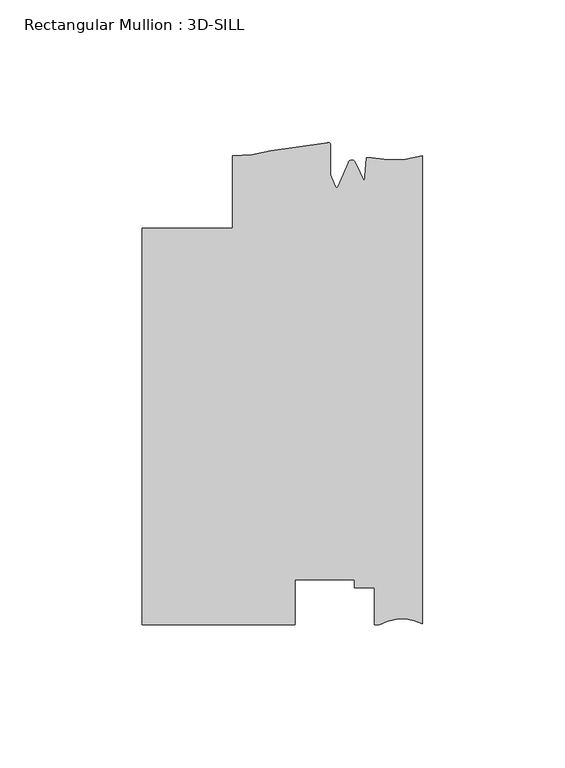
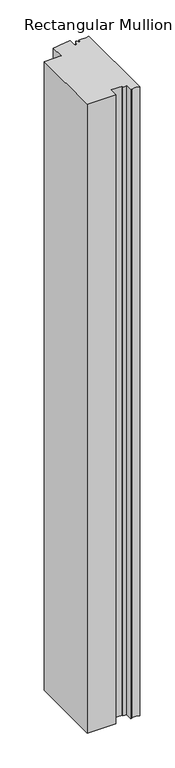
"""IFC4 building model written with IfcOpenShell, lengths in millimetres: member geometry, Rectangular Mullion : 3D-SILL."""

from ifc_helpers import new_model, si_unit, frame, origin, place, context, project, spatial, polyline, circle_curve, source, transform, mapped, element, save
from ifc_brep_helpers import plane_surface, cylinder_surface, revolved_surface, advanced_brep


def rectangular_mullion_3d_sill_26b0a8fc(model_context):
    return source(origin(), model_context, "Body", "AdvancedBrep", [
        advanced_brep(
        [(-98.425, -27.8368125, 0.0), (-98.425, -167.0288125, 0.0), (-44.8099503, -167.0288125, 0.0), (-44.8099503, -151.130408, 0.0), (-23.8633011, -151.130408, 0.0), (-23.8633011, -153.9850133, 0.0), (-17.0053014, -153.9850133, 0.0), (-17.0053014, -167.0288125, 0.0), (-15.1680895, -167.0288125, 0.0), (0.0, -166.6478125, 0.0), (0.0, -2.4368125, 0.0), (-18.0334985, -3.1935504, 0.0), (-19.8211861, -3.0828843, 0.0), (-20.3867288, -11.4822036, 0.0), (-23.5593147, -4.7881561, 0.0), (-26.1362138, -4.7881561, 0.0), (-29.8075652, -13.2047236, 0.0), (-30.5559634, -13.2047236, 0.0), (-32.384137, -9.0136383, 0.0), (-32.384137, 1.4766469, 0.0), (-33.3130099, 2.2201504, 0.0), (-53.2924277, -0.6208493, 0.0), (-66.6751132, -2.4368125, 0.0), (-66.6751132, -27.8361661, 0.0), (-98.425, -27.8368125, -1244.3455475), (-66.6751132, -27.8361661, -1244.3455475), (-66.6751132, -2.4368125, -1244.3455475), (-53.2924277, -0.6208493, -1244.3455475), (-33.3138356, 2.2199646, -1244.3455475), (-32.384137, 1.4766469, -1244.3455475), (-32.384137, -9.0136383, -1244.3455475), (-30.5559634, -13.2047236, -1244.3455475), (-29.8075652, -13.2047236, -1244.3455475), (-26.1362138, -4.7881561, -1244.3455475), (-23.5593147, -4.7881561, -1244.3455475), (-20.3867288, -11.4822036, -1244.3455475), (-19.8211861, -3.0828843, -1244.3455475), (-18.0334985, -3.1935504, -1244.3455475), (0.0, -2.4368125, -1244.3455475), (0.0, -166.6478125, -1244.3455475), (-15.1680895, -167.0288125, -1244.3455475), (-17.0053014, -167.0288125, -1244.3455475), (-17.0053014, -153.9850133, -1244.3455475), (-23.8633011, -153.9850133, -1244.3455475), (-23.8633011, -151.130408, -1244.3455475), (-44.8099503, -151.130408, -1244.3455475), (-44.8099503, -167.0288125, -1244.3455475), (-98.425, -167.0288125, -1244.3455475)],
        [
            (0, 1),
            (1, 2),
            (2, 3),
            (3, 4),
            (4, 5),
            (5, 6),
            (6, 7),
            (7, 8),
            (8, 9, circle_curve(frame((-7.2326507, -180.8277516, 0.0), z_axis=(0.0, 0.0, -1.0), x_axis=(0.0, -1.0, 0.0)), 15.9179744)),
            (9, 10),
            (10, 11, circle_curve(frame((-10.6264113, 35.54399, 0.0), z_axis=(0.0, 0.0, -1.0), x_axis=(0.0, -1.0, 0.0)), 39.4393455)),
            (11, 12),
            (12, 13),
            (13, 14),
            (14, 15, circle_curve(frame((-24.8477643, -5.3280697, 0.0), z_axis=(0.0, 0.0, 1.0), x_axis=(-0.9222974554240703, 0.38648079346622805, 0.0)), 1.397)),
            (15, 16),
            (16, 17, circle_curve(frame((-30.1817643, -13.2763897, 0.0), z_axis=(0.0, 0.0, -1.0), x_axis=(-0.9821498950386456, 0.1880999300254456, 0.0)), 0.381)),
            (17, 18),
            (18, 19),
            (19, 20, circle_curve(frame((-33.146137, 1.4766469, 0.0), z_axis=(0.0, 0.0, 1.0), x_axis=(1.0, 0.0, 0.0)), 0.762)),
            (20, 21, circle_curve(frame((-61.125498, 126.1389145, 0.0), z_axis=(0.0, 0.0, -1.0), x_axis=(0.2189867881896227, -0.9757278240361876, 0.0)), 127.0015539)),
            (21, 22, circle_curve(frame((-65.8289407, 41.546973, 0.0), z_axis=(0.0, 0.0, -1.0), x_axis=(0.0, -1.0, 0.0)), 43.9919242)),
            (22, 23),
            (23, 0),
            (24, 25),
            (25, 26),
            (26, 27, circle_curve(frame((-65.8289407, 41.546973, -1244.3455475), z_axis=(0.0, 0.0, 1.0), x_axis=(0.0, -1.0, 0.0)), 43.9919242)),
            (27, 28, circle_curve(frame((-61.125498, 126.1389145, -1244.3455475), z_axis=(0.0, 0.0, 1.0), x_axis=(0.2189867881896227, -0.9757278240361876, 0.0)), 127.0015539)),
            (28, 29, circle_curve(frame((-33.146137, 1.4766469, -1244.3455475), z_axis=(0.0, 0.0, -1.0), x_axis=(1.0, 0.0, 0.0)), 0.762)),
            (29, 30),
            (30, 31),
            (31, 32, circle_curve(frame((-30.1817643, -13.2763897, -1244.3455475), z_axis=(0.0, 0.0, 1.0), x_axis=(-0.9821498950386456, 0.1880999300254456, 0.0)), 0.381)),
            (32, 33),
            (33, 34, circle_curve(frame((-24.8477643, -5.3280697, -1244.3455475), z_axis=(0.0, 0.0, -1.0), x_axis=(-0.9222974554240703, 0.38648079346622805, 0.0)), 1.397)),
            (34, 35),
            (35, 36),
            (36, 37),
            (37, 38, circle_curve(frame((-10.6264113, 35.54399, -1244.3455475), z_axis=(0.0, 0.0, 1.0), x_axis=(0.0, -1.0, 0.0)), 39.4393455)),
            (38, 39),
            (39, 40, circle_curve(frame((-7.2326507, -180.8277516, -1244.3455475), z_axis=(0.0, 0.0, 1.0), x_axis=(0.0, -1.0, 0.0)), 15.9179744)),
            (40, 41),
            (41, 42),
            (42, 43),
            (43, 44),
            (44, 45),
            (45, 46),
            (46, 47),
            (47, 24),
            (0, 24),
            (47, 1),
            (46, 2),
            (45, 3),
            (44, 4),
            (43, 5),
            (42, 6),
            (41, 7),
            (40, 8),
            (39, 9),
            (38, 10),
            (37, 11),
            (36, 12),
            (35, 13),
            (34, 14),
            (33, 15),
            (32, 16),
            (31, 17),
            (30, 18),
            (29, 19),
            (28, 20),
            (27, 21),
            (26, 22),
            (25, 23),
        ],
        [
            plane_surface(frame((0.0, -193.8713616, 0.0), z_axis=(0.0, 0.0, 1.0), x_axis=(-1.0, 0.0, 0.0))),
            plane_surface(frame((0.0, -193.8713616, -1244.3455475), z_axis=(0.0, 0.0, -1.0), x_axis=(-1.0, 0.0, 0.0))),
            plane_surface(frame((-98.425, -27.8368125, 0.0), z_axis=(-1.0, 0.0, 0.0), x_axis=(0.0, 0.0, -1.0))),
            plane_surface(frame((-98.425, -167.0288125, 0.0), z_axis=(0.0, -1.0, 0.0), x_axis=(0.0, 0.0, -1.0))),
            plane_surface(frame((-44.8099503, -167.0288125, 0.0), z_axis=(1.0, 0.0, 0.0), x_axis=(0.0, 0.0, -1.0))),
            plane_surface(frame((-44.8099503, -151.130408, 0.0), z_axis=(0.0, -1.0, 0.0), x_axis=(0.0, 0.0, -1.0))),
            plane_surface(frame((-23.8633011, -151.130408, 0.0), z_axis=(-1.0, 0.0, 0.0), x_axis=(0.0, 0.0, -1.0))),
            plane_surface(frame((-23.8633011, -153.9850133, 0.0), z_axis=(0.0, -1.0, 0.0), x_axis=(0.0, 0.0, -1.0))),
            plane_surface(frame((-17.0053014, -153.9850133, 0.0), z_axis=(-1.0, 0.0, 0.0), x_axis=(0.0, 0.0, -1.0))),
            plane_surface(frame((-17.0053014, -167.0288125, 0.0), z_axis=(0.0, -1.0, 0.0), x_axis=(0.0, 0.0, -1.0))),
            revolved_surface(polyline([(-7.2326507, -196.745726, -1244.3455475), (-7.2326507, -196.745726, 0.0)]), (-7.2326507, -180.8277516, 0.0), (0.0, 0.0, -1.0)),
            plane_surface(frame((0.0, -166.6478125, 0.0), z_axis=(1.0, 0.0, 0.0), x_axis=(0.0, 0.0, -1.0))),
            revolved_surface(polyline([(-10.6264113, -3.895355500000001, -1244.3455475), (-10.6264113, -3.895355500000001, 0.0)]), (-10.6264113, 35.54399, 0.0), (0.0, 0.0, -1.0)),
            plane_surface(frame((-18.0334985, -3.1935504, 0.0), z_axis=(0.0617863276188998, 0.9980893996628609, 0.0), x_axis=(0.0, 0.0, -1.0))),
            plane_surface(frame((-19.8211861, -3.0828843, 0.0), z_axis=(-0.997740881645106, 0.06717985631159565, 0.0), x_axis=(0.0, 0.0, -1.0))),
            plane_surface(frame((-20.3867288, -11.4822036, 0.0), z_axis=(0.9036479198265283, 0.4282761223710569, 0.0), x_axis=(0.0, 0.0, -1.0))),
            cylinder_surface(frame((-24.8477643, -5.3280697, 0.0), z_axis=(0.0, 0.0, 1.0), x_axis=(-0.9222974554240703, 0.38648079346622805, 0.0)), 1.397),
            plane_surface(frame((-26.1362138, -4.7881561, 0.0), z_axis=(-0.9165925711538568, 0.3998225337641213, 0.0), x_axis=(0.0, 0.0, -1.0))),
            revolved_surface(polyline([(-30.555963410009724, -13.204723626660304, -1244.3455475), (-30.555963410009724, -13.204723626660304, 0.0)]), (-30.1817643, -13.2763897, 0.0), (0.0, 0.0, -1.0)),
            plane_surface(frame((-30.5559634, -13.2047236, 0.0), z_axis=(0.9165925711538717, 0.39982253376408716, 0.0), x_axis=(0.0, 0.0, -1.0))),
            plane_surface(frame((-32.384137, -9.0136383, 0.0), z_axis=(1.0, 0.0, 0.0), x_axis=(0.0, 0.0, -1.0))),
            cylinder_surface(frame((-33.146137, 1.4766469, 0.0), z_axis=(0.0, 0.0, 1.0), x_axis=(1.0, 0.0, 0.0)), 0.762),
            revolved_surface(polyline([(-33.313835616347745, 2.2199646639383985, -1244.3455475000005), (-33.313835616347745, 2.2199646639383985, 0.0)]), (-61.125498, 126.1389145, 0.0), (0.0, 0.0, -1.0000000000000002)),
            revolved_surface(polyline([(-65.8289407, -2.4449511999999984, -1244.3455475), (-65.8289407, -2.4449511999999984, 0.0)]), (-65.8289407, 41.546973, 0.0), (0.0, 0.0, -1.0)),
            plane_surface(frame((-66.6751132, -2.4368125, 0.0), z_axis=(-1.0, 0.0, 0.0), x_axis=(0.0, 0.0, -1.0))),
            plane_surface(frame((-66.6751132, -27.8361661, 0.0), z_axis=(-2.0360673595886705e-05, 0.9999999997927215, 0.0), x_axis=(0.0, 0.0, -1.0))),
        ],
        [
            (0, [[1, 2, 3, 4, 5, 6, 7, 8, 9, 10, 11, 12, 13, 14, 15, 16, 17, 18, 19, 20, 21, 22, 23, 24]]),
            (1, [[25, 26, 27, 28, 29, 30, 31, 32, 33, 34, 35, 36, 37, 38, 39, 40, 41, 42, 43, 44, 45, 46, 47, 48]]),
            (2, [[-1, 49, -48, 50]]),
            (3, [[-2, -50, -47, 51]]),
            (4, [[-3, -51, -46, 52]]),
            (5, [[-4, -52, -45, 53]]),
            (6, [[-5, -53, -44, 54]]),
            (7, [[-6, -54, -43, 55]]),
            (8, [[-7, -55, -42, 56]]),
            (9, [[-8, -56, -41, 57]]),
            (10, [[-9, -57, -40, 58]]),
            (11, [[-10, -58, -39, 59]]),
            (12, [[-11, -59, -38, 60]]),
            (13, [[-12, -60, -37, 61]]),
            (14, [[-13, -61, -36, 62]]),
            (15, [[-14, -62, -35, 63]]),
            (16, [[-15, -63, -34, 64]]),
            (17, [[-16, -64, -33, 65]]),
            (18, [[-17, -65, -32, 66]]),
            (19, [[-18, -66, -31, 67]]),
            (20, [[-19, -67, -30, 68]]),
            (21, [[-20, -68, -29, 69]]),
            (22, [[-21, -69, -28, 70]]),
            (23, [[-22, -70, -27, 71]]),
            (24, [[-23, -71, -26, 72]]),
            (25, [[-24, -72, -25, -49]]),
        ],
    ),
    ])


if __name__ == "__main__":
    model = new_model("IFC4")
    model_context = context("Model", 3, world=origin())
    ifc_project = project(units=[si_unit("LENGTHUNIT", "METRE", prefix="MILLI")], contexts=[model_context])
    site = spatial("IfcSite", under=ifc_project)
    building = spatial("IfcBuilding", under=site)
    placement = place(None, origin())
    rectangular_mullion_3d_sill_shape = rectangular_mullion_3d_sill_26b0a8fc(model_context)
    element("IfcMember", 1, ObjectType="Rectangular Mullion : 3D-SILL", at=placement, inside=building, context=model_context, shape_type="MappedRepresentation", body=[
        mapped(rectangular_mullion_3d_sill_shape, transform((0.0, 0.0, 0.0), x_axis=(1.0, 0.0, 0.0), y_axis=(0.0, 1.0, 0.0), z_axis=(0.0, 0.0, 1.0))),
    ])
    save(model, "model.ifc")
